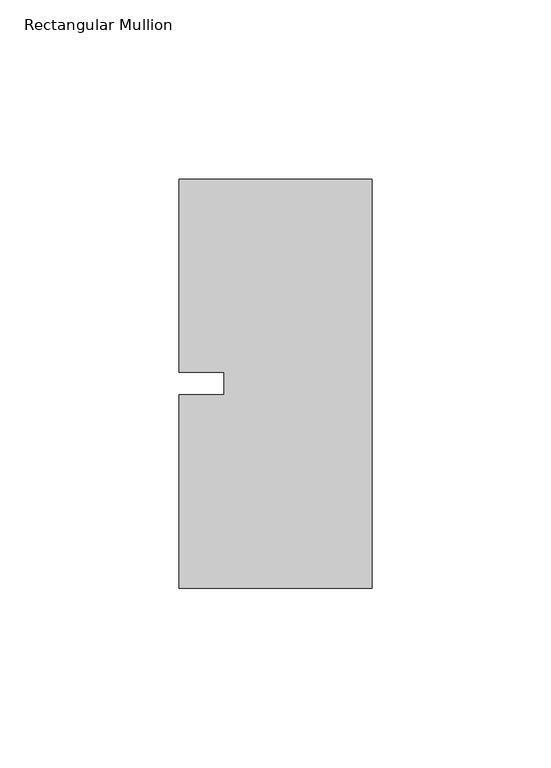
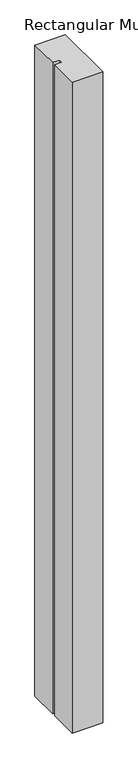
"""IFC4 building model written with IfcOpenShell, lengths in millimetres: member geometry, Rectangular Mullion."""

import ifcopenshell
import ifcopenshell.guid

model = None  # the IFC model being written
_history = None  # IfcOwnerHistory: only IFC2X3 demands one
_inside = {}  # id of a spatial element -> (the spatial element, [elements in it])
_under = {}  # id of a project, library or spatial element -> (it, [spatial elements below it])
_declared = {}  # id of a project -> (the project, [libraries it declares])
_typed = {}  # id of a type object -> (the type object, [elements of that type])
_made_of = {}  # id of a material, layer set ... -> (it, [elements and type objects made of it])


def new_model(schema):
    """Start an empty IFC model of exactly this schema.

    Asked for "IFC4X3", IfcOpenShell would pick the latest addendum, in which some entities
    have other attributes; the version numbers below select the first issue.
    IFC2X3 requires an IfcOwnerHistory on every rooted entity: one is made here for all.
    """
    global model, _history
    if schema == "IFC4X3":
        model = ifcopenshell.file(schema_version=(4, 3, 0, 0))
    else:
        model = ifcopenshell.file(schema=schema)
    _inside.clear()
    _under.clear()
    _declared.clear()
    _typed.clear()
    _made_of.clear()
    _history = None
    if model.schema == "IFC2X3":
        org = make("IfcOrganization", Name="unknown")
        user = make(
            "IfcPersonAndOrganization",
            ThePerson=make("IfcPerson", FamilyName="unknown"),
            TheOrganization=org,
        )
        app = make(
            "IfcApplication",
            ApplicationDeveloper=org,
            Version="unknown",
            ApplicationFullName="unknown",
            ApplicationIdentifier="unknown",
        )
        _history = make(
            "IfcOwnerHistory",
            OwningUser=user,
            OwningApplication=app,
            ChangeAction="ADDED",
            CreationDate=0,
        )
    return model


def make(cls, **values):
    """One entity of the class cls with the attributes given. An attribute that is None is left unset."""
    return model.create_entity(
        cls, **{name: value for name, value in values.items() if value is not None}
    )


def rooted(cls, **values):
    """An entity with a GlobalId (a new one), such as an element, a storey or a relation."""
    return make(cls, GlobalId=ifcopenshell.guid.new(), OwnerHistory=_history, **values)


def si_unit(unit_type, name, prefix=None):
    """IfcSIUnit, for example si_unit("LENGTHUNIT", "METRE", prefix="MILLI")."""
    return make("IfcSIUnit", UnitType=unit_type, Prefix=prefix, Name=name)


def assignment(units):
    """IfcUnitAssignment: the units of a project."""
    return None if units is None else make("IfcUnitAssignment", Units=units)


def point(xyz):
    """IfcCartesianPoint."""
    return None if xyz is None else make("IfcCartesianPoint", Coordinates=xyz)


def direction(xyz):
    """IfcDirection."""
    return None if xyz is None else make("IfcDirection", DirectionRatios=xyz)


def frame(location, z_axis=None, x_axis=None):
    """IfcAxis2Placement3D, a coordinate frame: its origin and axes. An axis left out is left unset."""
    return make(
        "IfcAxis2Placement3D",
        Location=point(location),
        Axis=direction(z_axis),
        RefDirection=direction(x_axis),
    )


def origin():
    """The frame at (0, 0, 0) with its axes left unset."""
    return frame((0.0, 0.0, 0.0))


def place(relative_to, where):
    """IfcLocalPlacement: puts the frame where relative to a parent placement (None: the world)."""
    return make(
        "IfcLocalPlacement", PlacementRelTo=relative_to, RelativePlacement=where
    )


def context(
    kind, dimensions, precision=None, world=None, true_north=None, identifier=None
):
    """IfcGeometricRepresentationContext, for example the 3D "Model" context."""
    return make(
        "IfcGeometricRepresentationContext",
        ContextIdentifier=identifier,
        ContextType=kind,
        CoordinateSpaceDimension=dimensions,
        Precision=precision,
        WorldCoordinateSystem=world,
        TrueNorth=true_north,
    )


def project(units=None, contexts=None):
    """IfcProject with its units and contexts."""
    return rooted(
        "IfcProject",
        Name="project",
        RepresentationContexts=contexts,
        UnitsInContext=assignment(units),
    )


def spatial(cls, under=None, at=None, **own):
    """A site, building, storey or space (cls), placed at a placement, below another one or the project."""
    s = rooted(cls, ObjectPlacement=at, **own)
    if under is not None:
        _under.setdefault(under.id(), (under, []))[1].append(s)
    return s


def polyline(points):
    """IfcPolyline through the points."""
    return make("IfcPolyline", Points=[point(p) for p in points])


def outline(outer, holes=None, kind="AREA"):
    """IfcArbitraryClosedProfileDef: a profile drawn as a closed curve; with holes, ...WithVoids."""
    if holes is None:
        return make("IfcArbitraryClosedProfileDef", ProfileType=kind, OuterCurve=outer)
    return make(
        "IfcArbitraryProfileDefWithVoids",
        ProfileType=kind,
        OuterCurve=outer,
        InnerCurves=holes,
    )


def extrude(swept, where, along, depth):
    """IfcExtrudedAreaSolid: the profile swept, set in the frame where, extruded along a direction by depth."""
    return make(
        "IfcExtrudedAreaSolid",
        SweptArea=swept,
        Position=where,
        ExtrudedDirection=direction(along),
        Depth=depth,
    )


def shape(context_of_items, identifier, shape_type, items):
    """IfcShapeRepresentation: the items that make up one representation, for example the "Body"."""
    return make(
        "IfcShapeRepresentation",
        ContextOfItems=context_of_items,
        RepresentationIdentifier=identifier,
        RepresentationType=shape_type,
        Items=items,
    )


def source(mapping_origin, context_of_items, identifier, shape_type, items):
    """IfcRepresentationMap: a shape defined once, which mapped items show again and again."""
    return make(
        "IfcRepresentationMap",
        MappingOrigin=mapping_origin,
        MappedRepresentation=shape(context_of_items, identifier, shape_type, items),
    )


def transform(
    local_origin,
    x_axis=None,
    y_axis=None,
    z_axis=None,
    scale=None,
    scale2=None,
    scale3=None,
    uniform=True,
):
    """IfcCartesianTransformationOperator3D, or its non-uniform kind. x_axis, y_axis, z_axis: its Axis1, 2, 3."""
    if uniform:
        return make(
            "IfcCartesianTransformationOperator3D",
            Axis1=direction(x_axis),
            Axis2=direction(y_axis),
            LocalOrigin=point(local_origin),
            Scale=scale,
            Axis3=direction(z_axis),
        )
    return make(
        "IfcCartesianTransformationOperator3DnonUniform",
        Axis1=direction(x_axis),
        Axis2=direction(y_axis),
        LocalOrigin=point(local_origin),
        Scale=scale,
        Axis3=direction(z_axis),
        Scale2=scale2,
        Scale3=scale3,
    )


def mapped(mapping_source, mapping_target):
    """IfcMappedItem: shows the shape of a source again, moved by a transform."""
    return make(
        "IfcMappedItem", MappingSource=mapping_source, MappingTarget=mapping_target
    )


def made_of(thing, what):
    """Note that an element or type object is made of a material, layer set ...; save() writes the relation."""
    if what is not None:
        _made_of.setdefault(what.id(), (what, []))[1].append(thing)
    return thing


def element(
    cls,
    number,
    at=None,
    inside=None,
    cuts=None,
    type_object=None,
    material=None,
    context=None,
    identifier="Body",
    shape_type=None,
    held_by="IfcProductDefinitionShape",
    body=None,
    shapes=None,
    **own,
):
    """One element of the class cls, such as IfcWall. Its Tag is "e" and its number.

    at: its placement. inside: the storey or other place that contains it. cuts: it is an
    opening in that element (IfcRelVoidsElement). A single representation is given by context,
    identifier, shape_type and body (its items); several are given by shapes. held_by: the class
    of the entity that holds the representations. save() writes the other relations.
    """
    e = rooted(cls, Tag="e%d" % number, ObjectPlacement=at, **own)
    if body is not None:
        shapes = [shape(context, identifier, shape_type, body)]
    if shapes is not None:
        e.Representation = make(held_by, Representations=shapes)
    if inside is not None:
        _inside.setdefault(inside.id(), (inside, []))[1].append(e)
    if cuts is not None:
        rooted(
            "IfcRelVoidsElement", RelatingBuildingElement=cuts, RelatedOpeningElement=e
        )
    if type_object is not None:
        _typed.setdefault(type_object.id(), (type_object, []))[1].append(e)
    return made_of(e, material)


def aggregate(whole, parts):
    """IfcRelAggregates: a whole, such as a stair, and the parts it consists of."""
    return rooted("IfcRelAggregates", RelatingObject=whole, RelatedObjects=parts)


def save(model, path):
    """Write the relations noted so far, then the file.

    IfcRelAggregates (storeys below a building ...), IfcRelContainedInSpatialStructure (elements
    in a storey), IfcRelDefinesByType, IfcRelAssociatesMaterial and IfcRelDeclares: one each for
    every whole, place, type object, material and project.
    """
    for whole, parts in _under.values():
        aggregate(whole, parts)
    for where, things in _inside.values():
        rooted(
            "IfcRelContainedInSpatialStructure",
            RelatedElements=things,
            RelatingStructure=where,
        )
    for kind, things in _typed.values():
        rooted("IfcRelDefinesByType", RelatedObjects=things, RelatingType=kind)
    for what, things in _made_of.values():
        rooted("IfcRelAssociatesMaterial", RelatedObjects=things, RelatingMaterial=what)
    for by, libraries in _declared.values():
        rooted("IfcRelDeclares", RelatingContext=by, RelatedDefinitions=libraries)
    model.write(path)


def rectangular_mullion_1f55eb4f(model_context):
    return source(origin(), model_context, "Body", "SweptSolid", [
        extrude(outline(polyline([(-53.975, 57.15), (0.0, 57.15), (0.0, -57.15), (-53.975, -57.15), (-53.975, -3.175), (-41.2732296, -3.175), (-41.2732296, 3.175), (-53.975, 3.175), (-53.975, 57.15)])), frame((0.0, 0.0, -1219.2), z_axis=(0.0, 0.0, 1.0), x_axis=(1.0, 0.0, 0.0)), (0.0, 0.0, 1.0), 1219.2),
    ])


if __name__ == "__main__":
    model = new_model("IFC4")
    model_context = context("Model", 3, world=origin())
    ifc_project = project(units=[si_unit("LENGTHUNIT", "METRE", prefix="MILLI")], contexts=[model_context])
    site = spatial("IfcSite", under=ifc_project)
    building = spatial("IfcBuilding", under=site)
    placement = place(None, origin())
    rectangular_mullion_shape = rectangular_mullion_1f55eb4f(model_context)
    element("IfcMember", 1, ObjectType="Rectangular Mullion", at=placement, inside=building, context=model_context, shape_type="MappedRepresentation", body=[
        mapped(rectangular_mullion_shape, transform((0.0, 0.0, 0.0), x_axis=(1.0, 0.0, 0.0), y_axis=(0.0, 1.0, 0.0), z_axis=(0.0, 0.0, 1.0))),
    ])
    save(model, "model.ifc")
